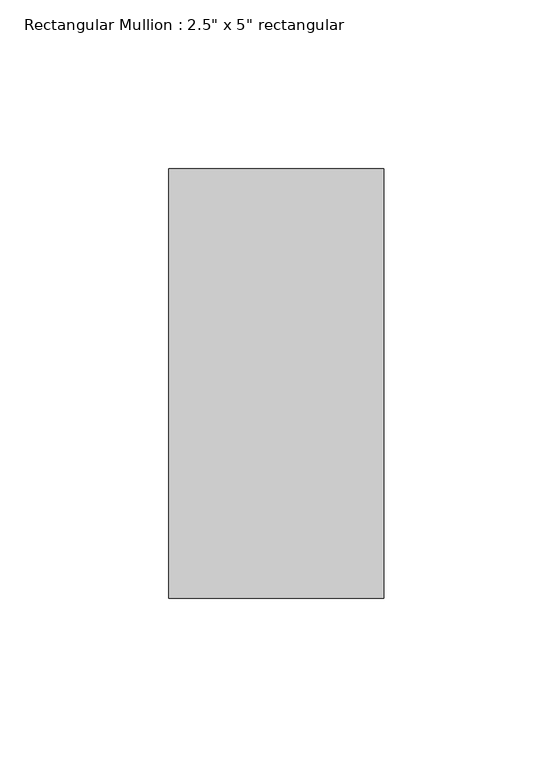
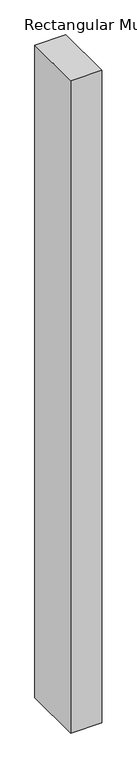
"""IFC4 building model written with IfcOpenShell, lengths in millimetres: member geometry."""

from ifc_helpers import new_model, si_unit, frame, origin, place, context, project, spatial, polyline, outline, extrude, source, transform, mapped, element, save


def member_3fb13e20(model_context):
    return source(origin(), model_context, "Body", "SweptSolid", [
        extrude(outline(polyline([(0.0, 63.5), (0.0, -63.5), (-63.5, -63.5), (-63.5, 63.5), (0.0, 63.5)])), frame((0.0, 0.0, -1413.95), z_axis=(0.0, 0.0, 1.0), x_axis=(1.0, 0.0, 0.0)), (0.0, 0.0, 1.0), 1413.95),
    ])


if __name__ == "__main__":
    model = new_model("IFC4")
    model_context = context("Model", 3, world=origin())
    ifc_project = project(units=[si_unit("LENGTHUNIT", "METRE", prefix="MILLI")], contexts=[model_context])
    site = spatial("IfcSite", under=ifc_project)
    building = spatial("IfcBuilding", under=site)
    placement = place(None, origin())
    member_shape = member_3fb13e20(model_context)
    element("IfcMember", 1, ObjectType="Rectangular Mullion : 2.5\" x 5\" rectangular", at=placement, inside=building, context=model_context, shape_type="MappedRepresentation", body=[
        mapped(member_shape, transform((0.0, 0.0, 0.0), x_axis=(1.0, 0.0, 0.0), y_axis=(0.0, 1.0, 0.0), z_axis=(0.0, 0.0, 1.0))),
    ])
    save(model, "model.ifc")
